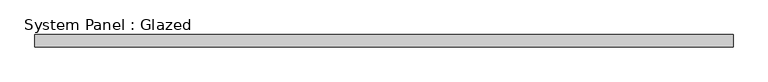
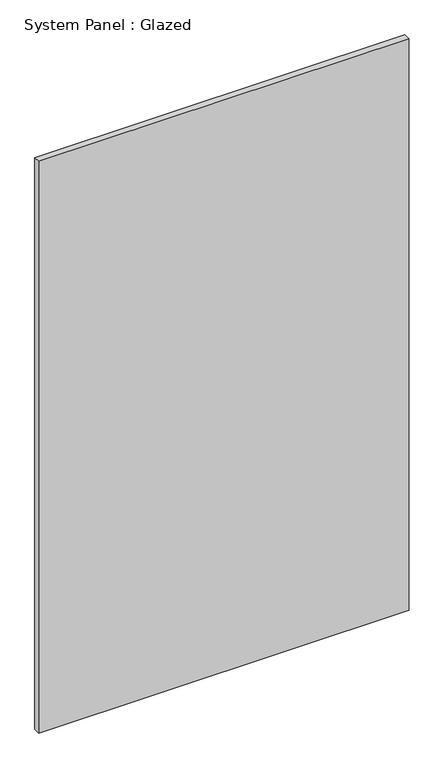
"""IFC4 building model written with IfcOpenShell, lengths in millimetres: plate geometry, System Panel : Glazed."""

from ifc_helpers import new_model, si_unit, origin, origin_with_axes, place, context, project, spatial, polyline, outline, extrude, source, transform, mapped, element, save


def system_panel_glazed_ca37c494(model_context):
    return source(origin(), model_context, "Body", "SweptSolid", [
        extrude(outline(polyline([(712.5, -49.5), (-712.5, -49.5), (-712.5, -24.5), (712.5, -24.5), (712.5, -49.5)])), origin_with_axes(), (0.0, 0.0, 1.0), 2325.0),
    ])


if __name__ == "__main__":
    model = new_model("IFC4")
    model_context = context("Model", 3, world=origin())
    ifc_project = project(units=[si_unit("LENGTHUNIT", "METRE", prefix="MILLI")], contexts=[model_context])
    site = spatial("IfcSite", under=ifc_project)
    building = spatial("IfcBuilding", under=site)
    placement = place(None, origin())
    system_panel_glazed_shape = system_panel_glazed_ca37c494(model_context)
    element("IfcPlate", 1, ObjectType="System Panel : Glazed", at=placement, inside=building, context=model_context, shape_type="MappedRepresentation", body=[
        mapped(system_panel_glazed_shape, transform((0.0, 0.0, 0.0), x_axis=(1.0, 0.0, 0.0), y_axis=(0.0, 1.0, 0.0), z_axis=(0.0, 0.0, 1.0))),
    ])
    save(model, "model.ifc")
